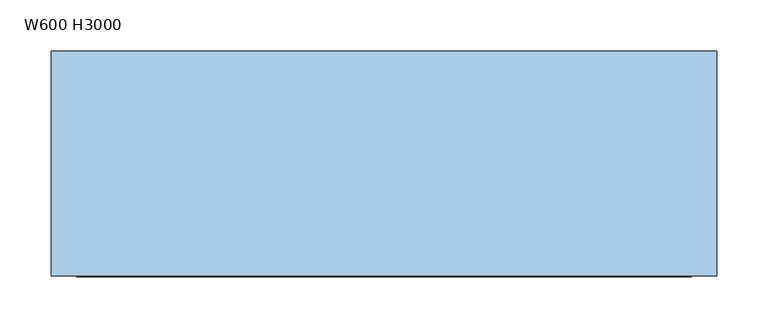
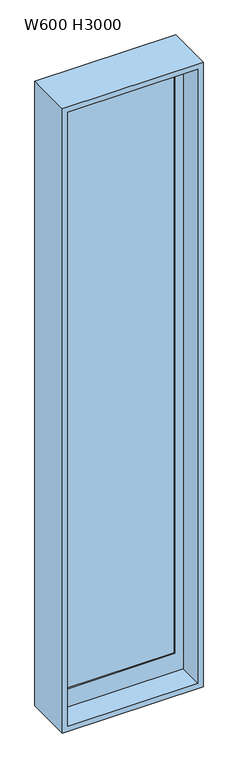
"""IFC4 building model written with IfcOpenShell, lengths in millimetres: window geometry, W600 H3000."""

from ifc_helpers import new_model, si_unit, frame, origin, place, context, project, spatial, polyline, outline, extrude, source, transform, mapped, element, save


def w600_h3000_a9a4ebe6(model_context):
    return source(origin(), model_context, "Body", "SweptSolid", [
        extrude(outline(polyline([(335.0, 10.0), (-185.0, 10.0), (-185.0, 15.0), (335.0, 15.0), (335.0, 10.0)])), frame((0.0, 0.0, 990.0), z_axis=(0.0, 0.0, 1.0), x_axis=(1.0, 0.0, 0.0)), (0.0, 0.0, 1.0), 2870.0),
        extrude(outline(polyline([(3900.0, -225.0), (900.0, -225.0), (900.0, 375.0), (3900.0, 375.0), (3900.0, -225.0)]), holes=[polyline([(3860.0, -185.0), (3860.0, 335.0), (990.0, 335.0), (990.0, -185.0), (3860.0, -185.0)])]), frame((0.0, 5.0, 0.0), z_axis=(0.0, 1.0, 0.0), x_axis=(0.0, 0.0, 1.0)), (0.0, 0.0, 1.0), 30.0),
        extrude(outline(polyline([(3925.0, 400.0), (3925.0, -250.0), (875.0, -250.0), (875.0, 400.0), (3925.0, 400.0)]), holes=[polyline([(900.0, 375.0), (900.0, -225.0), (3900.0, -225.0), (3900.0, 375.0), (900.0, 375.0)])]), frame((0.0, -110.0, 0.0), z_axis=(0.0, 1.0, 0.0), x_axis=(0.0, 0.0, 1.0)), (0.0, 0.0, 1.0), 220.0),
    ])


if __name__ == "__main__":
    model = new_model("IFC4")
    model_context = context("Model", 3, world=origin())
    ifc_project = project(units=[si_unit("LENGTHUNIT", "METRE", prefix="MILLI")], contexts=[model_context])
    site = spatial("IfcSite", under=ifc_project)
    building = spatial("IfcBuilding", under=site)
    placement = place(None, origin())
    w600_h3000_shape = w600_h3000_a9a4ebe6(model_context)
    element("IfcWindow", 1, ObjectType="W600 H3000", at=placement, inside=building, context=model_context, shape_type="MappedRepresentation", body=[
        mapped(w600_h3000_shape, transform((0.0, 0.0, 0.0), x_axis=(1.0, 0.0, 0.0), y_axis=(0.0, 1.0, 0.0), z_axis=(0.0, 0.0, 1.0))),
    ])
    save(model, "model.ifc")
